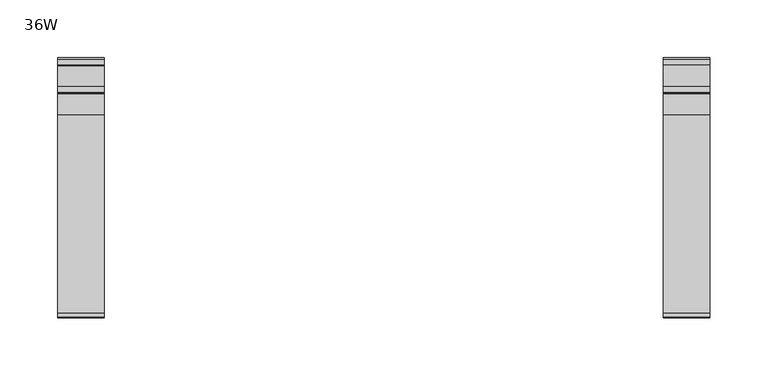
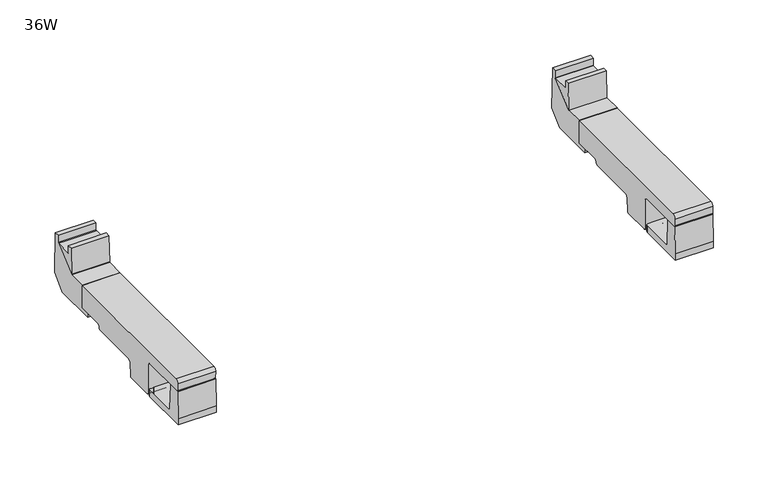
"""IFC4 building model written with IfcOpenShell, lengths in millimetres: furniture geometry, 36W."""

from ifc_helpers import new_model, si_unit, frame, origin, place, context, project, spatial, polyline, circle_curve, ellipse_curve, outline, extrude, faceted_brep, source, transform, mapped, element, save
from ifc_brep_helpers import plane_surface, cylinder_surface, revolved_surface, advanced_brep


def furniture_36w_b5ae9e75(model_context):
    return source(origin(), model_context, "Body", "SolidModel", [
        advanced_brep(
        [(737.7843383, -34.3762385, 694.748492), (737.7843383, -205.6270499, 694.748492), (737.7843383, -209.1428417, 691.2327031), (737.7843383, -208.8189173, 683.339309), (737.7843383, -208.1362423, 682.8612948), (737.7843383, -157.5847288, 682.8612948), (737.7843383, -155.1147078, 680.3912738), (737.7843383, -155.1147078, 648.1993661), (737.7843383, -153.1244417, 646.2091), (737.7843383, -124.7937764, 646.2091), (737.7843383, -123.0534282, 647.9494482), (737.7843383, -122.5427758, 662.5726192), (737.7843383, -120.0715116, 665.0438834), (737.7843383, -67.0503173, 665.0438834), (737.7843383, -65.9566254, 665.4969107), (737.7843383, -65.3708418, 666.9110686), (737.7843383, -65.3708418, 667.9110802), (737.7843383, -64.7850536, 669.3253107), (737.7843383, -63.2994578, 669.9406718), (737.7843383, -34.3762385, 669.9406718), (697.7843271, -34.3762385, 694.748492), (697.7843271, -34.3762385, 669.9406718), (697.7843271, -63.2994578, 669.9406718), (697.7843271, -64.7850536, 669.3253107), (697.7843271, -65.3708418, 667.9110802), (697.7843271, -65.3708418, 666.9110686), (697.7843271, -65.9566254, 665.4969107), (697.7843271, -67.0503173, 665.0438834), (697.7843271, -120.0715116, 665.0438834), (697.7843271, -122.5427758, 662.5726192), (697.7843271, -123.0534282, 647.9494482), (697.7843271, -124.7937764, 646.2091), (697.7843271, -153.1244417, 646.2091), (697.7843271, -155.1147078, 648.1993661), (697.7843271, -155.1147078, 680.3912738), (697.7843271, -157.5847288, 682.8612948), (697.7843271, -208.1362423, 682.8612948), (697.7843271, -208.8189173, 683.339309), (697.7843271, -209.1428417, 691.2327031), (697.7843271, -205.6270499, 694.748492), (702.7797896, -124.7937764, 646.2091), (702.7797896, -140.0738437, 646.2091), (732.8515099, -140.0738437, 646.2091), (732.8515099, -124.7937764, 646.2091), (732.7752781, -123.0534282, 647.9494482), (702.8560215, -123.0534282, 647.9494482), (732.3094335, -122.682043, 658.5845286), (721.4513665, -122.6654343, 659.0601406), (714.1799316, -122.6654343, 659.0601406), (703.321866, -122.682043, 658.5845286), (731.8099401, -63.2994578, 669.9406718), (731.8099401, -34.3762385, 669.9406718), (703.7059231, -34.3762385, 669.9406718), (703.7059231, -63.2994578, 669.9406718), (703.6909291, -64.4119278, 669.4798663), (731.8277347, -64.3762385, 669.4946495), (731.5138826, -34.3762385, 679.0393242), (729.0796033, -34.3762385, 681.4736035), (706.4362611, -34.3762385, 681.4736035), (704.0019819, -34.3762385, 679.0393242), (729.0796033, -64.3762385, 681.4736035), (731.5138826, -64.3762385, 679.0393242), (704.0019819, -64.3762385, 679.0393242), (706.4362611, -64.3762385, 681.4736035), (714.1799316, -140.0738437, 659.0601406), (721.4513665, -140.0738437, 659.0601406), (732.3094335, -140.0738437, 658.5845286), (703.321866, -140.0738437, 658.5845286)],
        [
            (0, 1),
            (1, 2, circle_curve(frame((737.7843383, -205.6270499, 691.2327002), z_axis=(1.0, 0.0, 0.0), x_axis=(0.0, 1.0, 0.0)), 3.5157917)),
            (2, 3),
            (3, 4, circle_curve(frame((737.7843383, -208.2951756, 683.360802), z_axis=(1.0, 0.0, 0.0), x_axis=(0.0, 1.0, 0.0)), 0.5241824)),
            (4, 5),
            (5, 6),
            (6, 7),
            (7, 8, circle_curve(frame((737.7843383, -153.1244417, 648.1993661), z_axis=(1.0, 0.0, 0.0), x_axis=(0.0, 1.0, 0.0)), 1.9902661)),
            (8, 9),
            (9, 10, circle_curve(frame((737.7843383, -124.7937764, 647.9494482), z_axis=(1.0, 0.0, 0.0), x_axis=(0.0, 1.0, 0.0)), 1.7403482)),
            (10, 11),
            (11, 12),
            (12, 13),
            (13, 14),
            (14, 15),
            (15, 16),
            (16, 17),
            (17, 18),
            (18, 19),
            (19, 0),
            (20, 21),
            (21, 22),
            (22, 23),
            (23, 24),
            (24, 25),
            (25, 26),
            (26, 27),
            (27, 28),
            (28, 29),
            (29, 30),
            (30, 31, circle_curve(frame((697.7843271, -124.7937764, 647.9494482), z_axis=(-1.0, 0.0, 0.0), x_axis=(0.0, 1.0, 0.0)), 1.7403482)),
            (31, 32),
            (32, 33, circle_curve(frame((697.7843271, -153.1244417, 648.1993661), z_axis=(-1.0, 0.0, 0.0), x_axis=(0.0, 1.0, 0.0)), 1.9902661)),
            (33, 34),
            (34, 35),
            (35, 36),
            (36, 37, circle_curve(frame((697.7843271, -208.2951756, 683.360802), z_axis=(-1.0, 0.0, 0.0), x_axis=(0.0, 1.0, 0.0)), 0.5241824)),
            (37, 38),
            (38, 39, circle_curve(frame((697.7843271, -205.6270499, 691.2327002), z_axis=(-1.0, 0.0, 0.0), x_axis=(0.0, 1.0, 0.0)), 3.5157917)),
            (39, 20),
            (0, 20),
            (39, 1),
            (38, 2),
            (37, 3),
            (4, 36),
            (35, 5),
            (34, 6),
            (33, 7),
            (32, 8),
            (31, 40),
            (40, 41),
            (41, 42),
            (42, 43),
            (43, 9),
            (43, 44, ellipse_curve(frame((732.7752781, -124.7937764, 647.9494482), z_axis=(0.9990420426528552, 0.0, 0.043760678833979806), x_axis=(0.043760678833976496, 0.0, -0.9990420426528553)), 1.742017, 1.7403482)),
            (44, 10),
            (30, 45),
            (45, 40, ellipse_curve(frame((702.8560215, -124.7937764, 647.9494482), z_axis=(-0.9990420429311413, 0.0, 0.04376067248079827), x_axis=(0.043760672480796126, 0.0, 0.9990420429311414)), 1.742017, 1.7403482)),
            (44, 46),
            (46, 47),
            (47, 48),
            (48, 49),
            (49, 45),
            (29, 11),
            (28, 12),
            (27, 13),
            (18, 50),
            (50, 51),
            (51, 19),
            (21, 52),
            (52, 53),
            (53, 22),
            (26, 14),
            (25, 15),
            (24, 16),
            (23, 17),
            (53, 54),
            (54, 55),
            (55, 50),
            (51, 56),
            (56, 57, circle_curve(frame((729.0796033, -34.3762385, 679.0393242), z_axis=(0.0, -1.0, 0.0), x_axis=(1.0, 0.0, 0.0)), 2.4342793)),
            (57, 58),
            (58, 59, circle_curve(frame((706.4362611, -34.3762385, 679.0393242), z_axis=(0.0, -1.0, 0.0), x_axis=(1.0, 0.0, 0.0)), 2.4342793)),
            (59, 52),
            (60, 61, circle_curve(frame((729.0796033, -64.3762385, 679.0393242), z_axis=(0.0, 1.0, 0.0), x_axis=(1.0, 0.0, 0.0)), 2.4342793)),
            (61, 55),
            (54, 62),
            (62, 63, circle_curve(frame((706.4362611, -64.3762385, 679.0393242), z_axis=(0.0, 1.0, 0.0), x_axis=(1.0, 0.0, 0.0)), 2.4342793)),
            (63, 60),
            (63, 58),
            (57, 60),
            (62, 59),
            (61, 56),
            (64, 65),
            (65, 66),
            (66, 42),
            (41, 67),
            (67, 64),
            (67, 49),
            (48, 64),
            (66, 46),
            (65, 47),
        ],
        [
            plane_surface(frame((737.7843383, -205.6270499, 694.748492), z_axis=(1.0, 0.0, 0.0), x_axis=(0.0, -1.0, 0.0))),
            plane_surface(frame((697.7843271, -205.6270499, 694.748492), z_axis=(-1.0, 0.0, 0.0), x_axis=(0.0, 1.0, 0.0))),
            plane_surface(frame((737.7843383, -34.3762385, 694.748492), z_axis=(0.0, 0.0, 1.0), x_axis=(-1.0, 0.0, 0.0))),
            cylinder_surface(frame((697.7843271, -205.6270499, 691.2327002), z_axis=(1.0, 0.0, 0.0), x_axis=(0.0, 1.0, 0.0)), 3.5157917),
            plane_surface(frame((737.7843383, -209.1428417, 691.2327031), z_axis=(0.0, -0.9991590276048403, -0.04100289691899755), x_axis=(-1.0, 0.0, 0.0))),
            plane_surface(frame((737.7843383, -208.1362423, 682.8612948), z_axis=(0.0, 0.0, -1.0), x_axis=(-1.0, 0.0, 0.0))),
            plane_surface(frame((737.7843383, -157.5847288, 682.8612948), z_axis=(0.0, -0.7071067811865669, -0.7071067811865281), x_axis=(-1.0, 0.0, 0.0))),
            plane_surface(frame((737.7843383, -155.1147078, 680.3912738), z_axis=(0.0, -1.0, 0.0), x_axis=(-1.0, 0.0, 0.0))),
            cylinder_surface(frame((697.7843271, -153.1244417, 648.1993661), z_axis=(1.0, 0.0, 0.0), x_axis=(0.0, 1.0, 0.0)), 1.9902661),
            plane_surface(frame((737.7843383, -153.1244417, 646.2091), z_axis=(0.0, 0.0, -1.0), x_axis=(-1.0, 0.0, 0.0))),
            cylinder_surface(frame((697.7843271, -124.7937764, 647.9494482), z_axis=(1.0, 0.0, 0.0), x_axis=(0.0, 1.0, 0.0)), 1.7403482),
            plane_surface(frame((737.7843383, -123.0534282, 647.9494482), z_axis=(0.0, 0.9993908270182066, -0.03489949672796346), x_axis=(-1.0, 0.0, 0.0))),
            plane_surface(frame((737.7843383, -122.5427758, 662.5726192), z_axis=(0.0, 0.7071067811865888, -0.7071067811865064), x_axis=(-1.0, 0.0, 0.0))),
            plane_surface(frame((737.7843383, -120.0715116, 665.0438834), z_axis=(0.0, 0.0, -1.0), x_axis=(-1.0, 0.0, 0.0))),
            plane_surface(frame((737.7843383, -63.2994578, 669.9406718), z_axis=(0.0, 0.0, -1.0), x_axis=(-1.0, 0.0, 0.0))),
            cylinder_surface(frame((697.7843271, -208.2951756, 683.360802), z_axis=(1.0, 0.0, 0.0), x_axis=(0.0, 1.0, 0.0)), 0.5241824),
            plane_surface(frame((737.7843383, -67.0503173, 665.0438834), z_axis=(0.0, 0.3826872177215554, -0.9238779645562151), x_axis=(-1.0, 0.0, 0.0))),
            plane_surface(frame((737.7843383, -65.9566254, 665.4969107), z_axis=(0.0, 0.9238748481049176, -0.3826947413267075), x_axis=(-1.0, 0.0, 0.0))),
            plane_surface(frame((737.7843383, -65.3708418, 666.9110686), z_axis=(0.0, 1.0, 0.0), x_axis=(-1.0, 0.0, 0.0))),
            plane_surface(frame((737.7843383, -65.3708418, 667.9110802), z_axis=(0.0, 0.9238807518005431, -0.38268048872716703), x_axis=(-1.0, 0.0, 0.0))),
            plane_surface(frame((737.7843383, -64.7850536, 669.3253107), z_axis=(0.0, 0.382687217616281, -0.9238779645998216), x_axis=(-1.0, 0.0, 0.0))),
            plane_surface(frame((737.7843383, -34.3762385, 669.9406718), z_axis=(0.0, 1.0, 0.0), x_axis=(-1.0, 0.0, 0.0))),
            plane_surface(frame((706.4362611, -64.3762385, 681.4736035), z_axis=(0.0, 1.0, 0.0), x_axis=(-1.0, 0.0, 0.0))),
            plane_surface(frame((729.0796033, -64.3762385, 681.4736035), z_axis=(0.0, 0.0, -1.0), x_axis=(0.0, 1.0, 0.0))),
            revolved_surface(polyline([(708.8705404, -64.3762385, 679.0393242), (708.8705404, -34.3762385, 679.0393242)]), (706.4362611, -34.3762385, 679.0393242), (0.0, -1.0, 0.0)),
            plane_surface(frame((704.0019819, -64.3762385, 679.0393242), z_axis=(0.9994710350913933, 0.0, -0.03252153153433829), x_axis=(0.0, 1.0, 0.0))),
            plane_surface(frame((731.8277347, -64.3762385, 669.3937968), z_axis=(-0.9994710393903322, 0.0, -0.0325213994165262), x_axis=(0.0, 1.0, 0.0))),
            revolved_surface(polyline([(731.5138826, -64.3762385, 679.0393242), (731.5138826, -34.3762385, 679.0393242)]), (729.0796033, -34.3762385, 679.0393242), (0.0, -1.0, 0.0)),
            plane_surface(frame((178.8821527, -140.0738437, 658.5845286), z_axis=(0.0, 1.0000000000000002, 0.0), x_axis=(-0.9990420426677844, 0.0, -0.04376067849315215))),
            plane_surface(frame((714.1799316, -140.0738437, 659.0601406), z_axis=(0.04376067847361147, 0.0, -0.9990420426686404), x_axis=(0.0, 1.0, 0.0))),
            plane_surface(frame((703.321866, -140.0738437, 658.5845286), z_axis=(0.9990420429311413, 0.0, -0.04376067248079827), x_axis=(0.0, 1.0, 0.0))),
            plane_surface(frame((732.9317659, -140.0738437, 644.376883), z_axis=(-0.9990420426528552, 0.0, -0.043760678833979806), x_axis=(0.0, 1.0, 0.0))),
            plane_surface(frame((732.3094335, -140.0738437, 658.5845286), z_axis=(-0.04376067284080708, 0.0, -0.999042042915372), x_axis=(0.0, 1.0, 0.0))),
            plane_surface(frame((721.4513665, -140.0738437, 659.0601406), z_axis=(0.0, 0.0, -1.0), x_axis=(0.0, 1.0, 0.0))),
        ],
        [
            (0, [[1, 2, 3, 4, 5, 6, 7, 8, 9, 10, 11, 12, 13, 14, 15, 16, 17, 18, 19, 20]]),
            (1, [[21, 22, 23, 24, 25, 26, 27, 28, 29, 30, 31, 32, 33, 34, 35, 36, 37, 38, 39, 40]]),
            (2, [[-1, 41, -40, 42]]),
            (3, [[-2, -42, -39, 43]]),
            (4, [[-3, -43, -38, 44]]),
            (5, [[-5, 45, -36, 46]]),
            (6, [[-6, -46, -35, 47]]),
            (7, [[-7, -47, -34, 48]]),
            (8, [[-8, -48, -33, 49]]),
            (9, [[-9, -49, -32, 50, 51, 52, 53, 54]]),
            (10, [[-10, -54, 55, 56]]),
            (10, [[-31, 57, 58, -50]]),
            (11, [[-11, -56, 59, 60, 61, 62, 63, -57, -30, 64]]),
            (12, [[-12, -64, -29, 65]]),
            (13, [[-13, -65, -28, 66]]),
            (14, [[-19, 67, 68, 69]]),
            (14, [[-22, 70, 71, 72]]),
            (15, [[-4, -44, -37, -45]]),
            (16, [[-14, -66, -27, 73]]),
            (17, [[-15, -73, -26, 74]]),
            (18, [[-16, -74, -25, 75]]),
            (19, [[-17, -75, -24, 76]]),
            (20, [[-18, -76, -23, -72, 77, 78, 79, -67]]),
            (21, [[-20, -69, 80, 81, 82, 83, 84, -70, -21, -41]]),
            (22, [[85, 86, -78, 87, 88, 89]]),
            (23, [[-89, 90, -82, 91]]),
            (24, [[-88, 92, -83, -90]]),
            (25, [[-87, -77, -71, -84, -92]]),
            (26, [[-86, 93, -80, -68, -79]]),
            (27, [[-85, -91, -81, -93]]),
            (28, [[94, 95, 96, -52, 97, 98]]),
            (29, [[-98, 99, -62, 100]]),
            (30, [[-97, -51, -58, -63, -99]]),
            (31, [[-96, 101, -59, -55, -53]]),
            (32, [[-95, 102, -60, -101]]),
            (33, [[-94, -100, -61, -102]]),
        ],
    ),
        advanced_brep(
        [(204.718015, -64.3762385, 682.0986035), (207.1522943, -64.3762385, 679.6643242), (207.4661464, -64.3762385, 670.0187968), (179.3265402, -64.3762385, 670.0187968), (179.6403935, -64.3762385, 679.6643242), (182.0746728, -64.3762385, 682.0986035), (182.0746728, -34.3762385, 682.0986035), (204.718015, -34.3762385, 682.0986035), (179.6403935, -34.3762385, 679.6643242), (179.3265402, -63.1108495, 670.0187968), (179.3265402, -34.3762385, 670.0187968), (207.4661464, -63.1108495, 670.0187968), (207.1522943, -34.3762385, 679.6643242), (207.4661464, -34.3762385, 670.0187968), (213.3963495, -34.3762385, 694.748492), (213.3963495, -205.6270499, 694.748492), (213.3963495, -209.1428417, 691.2327031), (213.3963495, -208.8189173, 683.339309), (213.3963495, -208.1362423, 682.8612948), (213.3963495, -157.5847288, 682.8612948), (213.3963495, -155.1147078, 680.3912738), (213.3963495, -155.1147078, 648.1993661), (213.3963495, -153.1244417, 646.2091), (213.3963495, -124.7937764, 646.2091), (213.3963495, -123.0534282, 647.9494482), (213.3963495, -122.5427758, 662.5726192), (213.3963495, -120.0715116, 665.0438834), (213.3963495, -67.0503173, 665.0438834), (213.3963495, -65.9566254, 665.4969107), (213.3963495, -65.3708418, 666.9110686), (213.3963495, -65.3708418, 667.9110802), (213.3963495, -64.7850536, 669.3253107), (213.3963495, -63.1108495, 670.0187968), (213.3963495, -34.3762385, 670.0187968), (173.3963383, -34.3762385, 694.748492), (173.3963383, -34.3762385, 670.0187968), (173.3963383, -63.1108495, 670.0187968), (173.3963383, -64.7850536, 669.3253107), (173.3963383, -65.3708418, 667.9110802), (173.3963383, -65.3708418, 666.9110686), (173.3963383, -65.9566254, 665.4969107), (173.3963383, -67.0503173, 665.0438834), (173.3963383, -120.0715116, 665.0438834), (173.3963383, -122.5427758, 662.5726192), (173.3963383, -123.0534282, 647.9494482), (173.3963383, -124.7937764, 646.2091), (173.3963383, -153.1244417, 646.2091), (173.3963383, -155.1147078, 648.1993661), (173.3963383, -155.1147078, 680.3912738), (173.3963383, -157.5847288, 682.8612948), (173.3963383, -208.1362423, 682.8612948), (173.3963383, -208.8189173, 683.339309), (173.3963383, -209.1428417, 691.2327031), (173.3963383, -205.6270499, 694.748492), (178.3400763, -124.7937764, 646.2091), (178.3400763, -140.0738437, 646.2091), (208.4117966, -140.0738437, 646.2091), (208.4117966, -124.7937764, 646.2091), (208.3355648, -123.0534282, 647.9494482), (178.4163082, -123.0534282, 647.9494482), (207.8697202, -122.682043, 658.5845286), (197.0116532, -122.6654343, 659.0601406), (189.7402183, -122.6654343, 659.0601406), (178.8821527, -122.682043, 658.5845286), (189.7402183, -140.0738437, 659.0601406), (197.0116532, -140.0738437, 659.0601406), (207.8697202, -140.0738437, 658.5845286), (178.8821527, -140.0738437, 658.5845286)],
        [
            (0, 1, circle_curve(frame((204.718015, -64.3762385, 679.6643242), z_axis=(0.0, 1.0, 0.0), x_axis=(1.0, 0.0, 0.0)), 2.4342793)),
            (1, 2),
            (2, 3),
            (3, 4),
            (4, 5, circle_curve(frame((182.0746728, -64.3762385, 679.6643242), z_axis=(0.0, 1.0, 0.0), x_axis=(1.0, 0.0, 0.0)), 2.4342793)),
            (5, 0),
            (5, 6),
            (6, 7),
            (7, 0),
            (4, 8),
            (8, 6, circle_curve(frame((182.0746728, -34.3762385, 679.6643242), z_axis=(0.0, 1.0, 0.0), x_axis=(1.0, 0.0, 0.0)), 2.4342793)),
            (3, 9),
            (9, 10),
            (10, 8),
            (2, 11),
            (11, 9),
            (1, 12),
            (12, 13),
            (13, 11),
            (7, 12, circle_curve(frame((204.718015, -34.3762385, 679.6643242), z_axis=(0.0, 1.0, 0.0), x_axis=(1.0, 0.0, 0.0)), 2.4342793)),
            (14, 15),
            (15, 16, circle_curve(frame((213.3963495, -205.6270499, 691.2327002), z_axis=(1.0, 0.0, 0.0), x_axis=(0.0, 1.0, 0.0)), 3.5157917)),
            (16, 17),
            (17, 18, circle_curve(frame((213.3963495, -208.2951756, 683.360802), z_axis=(1.0, 0.0, 0.0), x_axis=(0.0, 1.0, 0.0)), 0.5241824)),
            (18, 19),
            (19, 20),
            (20, 21),
            (21, 22, circle_curve(frame((213.3963495, -153.1244417, 648.1993661), z_axis=(1.0, 0.0, 0.0), x_axis=(0.0, 1.0, 0.0)), 1.9902661)),
            (22, 23),
            (23, 24, circle_curve(frame((213.3963495, -124.7937764, 647.9494482), z_axis=(1.0, 0.0, 0.0), x_axis=(0.0, 1.0, 0.0)), 1.7403482)),
            (24, 25),
            (25, 26),
            (26, 27),
            (27, 28),
            (28, 29),
            (29, 30),
            (30, 31),
            (31, 32),
            (32, 33),
            (33, 14),
            (34, 35),
            (35, 36),
            (36, 37),
            (37, 38),
            (38, 39),
            (39, 40),
            (40, 41),
            (41, 42),
            (42, 43),
            (43, 44),
            (44, 45, circle_curve(frame((173.3963383, -124.7937764, 647.9494482), z_axis=(-1.0, 0.0, 0.0), x_axis=(0.0, 1.0, 0.0)), 1.7403482)),
            (45, 46),
            (46, 47, circle_curve(frame((173.3963383, -153.1244417, 648.1993661), z_axis=(-1.0, 0.0, 0.0), x_axis=(0.0, 1.0, 0.0)), 1.9902661)),
            (47, 48),
            (48, 49),
            (49, 50),
            (50, 51, circle_curve(frame((173.3963383, -208.2951756, 683.360802), z_axis=(-1.0, 0.0, 0.0), x_axis=(0.0, 1.0, 0.0)), 0.5241824)),
            (51, 52),
            (52, 53, circle_curve(frame((173.3963383, -205.6270499, 691.2327002), z_axis=(-1.0, 0.0, 0.0), x_axis=(0.0, 1.0, 0.0)), 3.5157917)),
            (53, 34),
            (14, 34),
            (53, 15),
            (52, 16),
            (51, 17),
            (18, 50),
            (49, 19),
            (48, 20),
            (47, 21),
            (46, 22),
            (45, 54),
            (54, 55),
            (55, 56),
            (56, 57),
            (57, 23),
            (57, 58, ellipse_curve(frame((208.3355648, -124.7937764, 647.9494482), z_axis=(0.9990420426677843, 0.0, 0.04376067849315382), x_axis=(0.04376067849315236, 0.0, -0.9990420426677845)), 1.742017, 1.7403482)),
            (58, 24),
            (44, 59),
            (59, 54, ellipse_curve(frame((178.4163082, -124.7937764, 647.9494482), z_axis=(-0.9990420429162121, 0.0, 0.043760672821627045), x_axis=(0.043760672821625185, 0.0, 0.999042042916212)), 1.742017, 1.7403482)),
            (58, 60),
            (60, 61),
            (61, 62),
            (62, 63),
            (63, 59),
            (43, 25),
            (42, 26),
            (41, 27),
            (32, 11),
            (13, 33),
            (35, 10),
            (9, 36),
            (40, 28),
            (39, 29),
            (38, 30),
            (37, 31),
            (64, 65),
            (65, 66),
            (66, 56),
            (55, 67),
            (67, 64),
            (67, 63),
            (62, 64),
            (66, 60),
            (65, 61),
        ],
        [
            plane_surface(frame((182.0746728, -64.3762385, 682.0986035), z_axis=(0.0, 1.0, 0.0), x_axis=(-1.0, 0.0, 0.0))),
            plane_surface(frame((204.718015, -64.3762385, 682.0986035), z_axis=(0.0, 0.0, -1.0), x_axis=(0.0, 1.0, 0.0))),
            revolved_surface(polyline([(184.5089521, -64.3762385, 679.6643242), (184.5089521, -34.3762385, 679.6643242)]), (182.0746728, -34.3762385, 679.6643242), (0.0, -1.0, 0.0)),
            plane_surface(frame((179.6403935, -64.3762385, 679.6643242), z_axis=(0.9994710350913933, 0.0, -0.03252153153433829), x_axis=(0.0, 1.0, 0.0))),
            plane_surface(frame((179.3265402, -64.3762385, 670.0187968), z_axis=(0.0, 0.0, 1.0), x_axis=(0.0, 1.0, 0.0))),
            plane_surface(frame((207.4661464, -64.3762385, 670.0187968), z_axis=(-0.999471039390332, 0.0, -0.03252139941653), x_axis=(0.0, 1.0, 0.0))),
            revolved_surface(polyline([(207.1522943, -64.3762385, 679.6643242), (207.1522943, -34.3762385, 679.6643242)]), (204.718015, -34.3762385, 679.6643242), (0.0, -1.0, 0.0)),
            plane_surface(frame((213.3963495, -205.6270499, 694.748492), z_axis=(1.0, 0.0, 0.0), x_axis=(0.0, -1.0, 0.0))),
            plane_surface(frame((173.3963383, -205.6270499, 694.748492), z_axis=(-1.0, 0.0, 0.0), x_axis=(0.0, 1.0, 0.0))),
            plane_surface(frame((213.3963495, -34.3762385, 694.748492), z_axis=(0.0, 0.0, 1.0), x_axis=(-1.0, 0.0, 0.0))),
            cylinder_surface(frame((173.3963383, -205.6270499, 691.2327002), z_axis=(1.0, 0.0, 0.0), x_axis=(0.0, 1.0, 0.0)), 3.5157917),
            plane_surface(frame((213.3963495, -209.1428417, 691.2327031), z_axis=(0.0, -0.9991590276048403, -0.041002896918997445), x_axis=(-1.0, 0.0, 0.0))),
            plane_surface(frame((213.3963495, -208.1362423, 682.8612948), z_axis=(0.0, 0.0, -1.0), x_axis=(-1.0, 0.0, 0.0))),
            plane_surface(frame((213.3963495, -157.5847288, 682.8612948), z_axis=(0.0, -0.7071067811865669, -0.7071067811865281), x_axis=(-1.0, 0.0, 0.0))),
            plane_surface(frame((213.3963495, -155.1147078, 680.3912738), z_axis=(0.0, -1.0, 0.0), x_axis=(-1.0, 0.0, 0.0))),
            cylinder_surface(frame((173.3963383, -153.1244417, 648.1993661), z_axis=(1.0, 0.0, 0.0), x_axis=(0.0, 1.0, 0.0)), 1.9902661),
            plane_surface(frame((213.3963495, -153.1244417, 646.2091), z_axis=(0.0, 0.0, -1.0), x_axis=(-1.0, 0.0, 0.0))),
            cylinder_surface(frame((173.3963383, -124.7937764, 647.9494482), z_axis=(1.0, 0.0, 0.0), x_axis=(0.0, 1.0, 0.0)), 1.7403482),
            plane_surface(frame((213.3963495, -123.0534282, 647.9494482), z_axis=(0.0, 0.9993908270182066, -0.03489949672796346), x_axis=(-1.0, 0.0, 0.0))),
            plane_surface(frame((213.3963495, -122.5427758, 662.5726192), z_axis=(0.0, 0.7071067811865888, -0.7071067811865064), x_axis=(-1.0, 0.0, 0.0))),
            plane_surface(frame((213.3963495, -120.0715116, 665.0438834), z_axis=(0.0, 0.0, -1.0), x_axis=(-1.0, 0.0, 0.0))),
            plane_surface(frame((213.3963495, -63.1108495, 670.0187968), z_axis=(0.0, 0.0, -1.0), x_axis=(-1.0, 0.0, 0.0))),
            cylinder_surface(frame((173.3963383, -208.2951756, 683.360802), z_axis=(1.0, 0.0, 0.0), x_axis=(0.0, 1.0, 0.0)), 0.5241824),
            plane_surface(frame((213.3963495, -67.0503173, 665.0438834), z_axis=(0.0, 0.3826872177215554, -0.9238779645562151), x_axis=(-1.0, 0.0, 0.0))),
            plane_surface(frame((213.3963495, -65.9566254, 665.4969107), z_axis=(0.0, 0.9238748481049176, -0.3826947413267075), x_axis=(-1.0, 0.0, 0.0))),
            plane_surface(frame((213.3963495, -65.3708418, 666.9110686), z_axis=(0.0, 1.0, 0.0), x_axis=(-1.0, 0.0, 0.0))),
            plane_surface(frame((213.3963495, -65.3708418, 667.9110802), z_axis=(0.0, 0.9238807518005431, -0.38268048872716703), x_axis=(-1.0, 0.0, 0.0))),
            plane_surface(frame((213.3963495, -64.7850536, 669.3253107), z_axis=(0.0, 0.38268721761631463, -0.9238779645998076), x_axis=(-1.0, 0.0, 0.0))),
            plane_surface(frame((213.3963495, -34.3762385, 670.0187968), z_axis=(0.0, 1.0, 0.0), x_axis=(-1.0, 0.0, 0.0))),
            plane_surface(frame((178.8821527, -140.0738437, 658.5845286), z_axis=(0.0, 1.0000000000000002, 0.0), x_axis=(-0.9990420426677844, 0.0, -0.04376067849315215))),
            plane_surface(frame((189.7402183, -140.0738437, 659.0601406), z_axis=(0.04376067849315215, 0.0, -0.9990420426677844), x_axis=(0.0, 1.0, 0.0))),
            plane_surface(frame((178.8821527, -140.0738437, 658.5845286), z_axis=(0.9990420429162121, 0.0, -0.043760672821627045), x_axis=(0.0, 1.0, 0.0))),
            plane_surface(frame((208.4920526, -140.0738437, 644.376883), z_axis=(-0.9990420426677843, 0.0, -0.04376067849315382), x_axis=(0.0, 1.0, 0.0))),
            plane_surface(frame((207.8697202, -140.0738437, 658.5845286), z_axis=(-0.043760672821278684, 0.0, -0.9990420429162273), x_axis=(0.0, 1.0, 0.0))),
            plane_surface(frame((197.0116532, -140.0738437, 659.0601406), z_axis=(0.0, 0.0, -1.0), x_axis=(0.0, 1.0, 0.0))),
        ],
        [
            (0, [[1, 2, 3, 4, 5, 6]]),
            (1, [[-6, 7, 8, 9]]),
            (2, [[-5, 10, 11, -7]]),
            (3, [[-4, 12, 13, 14, -10]]),
            (4, [[-3, 15, 16, -12]]),
            (5, [[-2, 17, 18, 19, -15]]),
            (6, [[-1, -9, 20, -17]]),
            (7, [[21, 22, 23, 24, 25, 26, 27, 28, 29, 30, 31, 32, 33, 34, 35, 36, 37, 38, 39, 40]]),
            (8, [[41, 42, 43, 44, 45, 46, 47, 48, 49, 50, 51, 52, 53, 54, 55, 56, 57, 58, 59, 60]]),
            (9, [[-21, 61, -60, 62]]),
            (10, [[-22, -62, -59, 63]]),
            (11, [[-23, -63, -58, 64]]),
            (12, [[-25, 65, -56, 66]]),
            (13, [[-26, -66, -55, 67]]),
            (14, [[-27, -67, -54, 68]]),
            (15, [[-28, -68, -53, 69]]),
            (16, [[-29, -69, -52, 70, 71, 72, 73, 74]]),
            (17, [[-30, -74, 75, 76]]),
            (17, [[-51, 77, 78, -70]]),
            (18, [[-31, -76, 79, 80, 81, 82, 83, -77, -50, 84]]),
            (19, [[-32, -84, -49, 85]]),
            (20, [[-33, -85, -48, 86]]),
            (21, [[-39, 87, -19, 88]]),
            (21, [[-42, 89, -13, 90]]),
            (22, [[-24, -64, -57, -65]]),
            (23, [[-34, -86, -47, 91]]),
            (24, [[-35, -91, -46, 92]]),
            (25, [[-36, -92, -45, 93]]),
            (26, [[-37, -93, -44, 94]]),
            (27, [[-38, -94, -43, -90, -16, -87]]),
            (28, [[-40, -88, -18, -20, -8, -11, -14, -89, -41, -61]]),
            (29, [[95, 96, 97, -72, 98, 99]]),
            (30, [[-99, 100, -82, 101]]),
            (31, [[-98, -71, -78, -83, -100]]),
            (32, [[-97, 102, -79, -75, -73]]),
            (33, [[-96, 103, -80, -102]]),
            (34, [[-95, -101, -81, -103]]),
        ],
    ),
        faceted_brep([(213.3963495, 1.4987638, 665.2243243), (213.3963495, 15.4987633, 679.2242692), (213.3963495, 14.2414636, 724.2242841), (213.3963495, 9.4996035, 724.2242841), (213.3963495, 9.4996035, 716.2017992), (213.3963495, -15.5003961, 695.2243087), (213.3963495, -34.3762385, 695.2243087), (213.3963495, -34.3762385, 670.2243098), (213.3963495, -44.3762385, 670.2243098), (213.3963495, -44.3762385, 665.2243243), (173.3963383, 1.4987638, 665.2243243), (173.3963383, -44.3762385, 665.2243243), (173.3963383, -44.3762385, 670.2243098), (173.3963383, -34.3762385, 670.2243098), (173.3963383, -34.3762385, 695.2243087), (173.3963383, -15.5003961, 695.2243087), (173.3963383, 9.4996035, 716.2017992), (173.3963383, 9.4996035, 724.2242841), (173.3963383, 14.2414636, 724.2242841), (173.3963383, 15.4987633, 679.2242692), (179.3332273, -34.3762385, 670.2243098), (179.3265402, -34.3762385, 670.0187968), (207.4661464, -34.3762385, 670.0187968), (207.4594593, -34.3762385, 670.2243098), (207.4594593, -44.3762385, 670.2243098), (179.3332273, -44.3762385, 670.2243098), (207.4661464, -44.3762385, 670.0187968), (179.3265402, -44.3762385, 670.0187968)], [[[0, 1, 2, 3, 4, 5, 6, 7, 8, 9]], [[10, 11, 12, 13, 14, 15, 16, 17, 18, 19]], [[1, 0, 10, 19]], [[2, 1, 19, 18]], [[3, 2, 18, 17]], [[7, 6, 14, 13, 20, 21, 22, 23]], [[8, 7, 23, 24]], [[13, 12, 25, 20]], [[9, 8, 24, 26, 27, 25, 12, 11]], [[0, 9, 11, 10]], [[4, 3, 17, 16]], [[5, 4, 16, 15]], [[6, 5, 15, 14]], [[21, 20, 25, 27]], [[22, 21, 27, 26]], [[23, 22, 26, 24]]]),
        advanced_brep(
        [(703.9244831, -141.7010771, 652.8966), (703.9244831, -141.7010771, 645.8966), (703.455545, -143.4503243, 645.8966), (703.455545, -143.4503243, 652.8966), (705.2049653, -140.4205949, 652.8966), (705.2049653, -140.4205949, 645.8966), (706.9542125, -139.9516569, 652.8966), (706.4984275, -140.0738437, 645.8966), (698.2232514, -156.9508595, 652.8966), (698.2232514, -156.9508595, 645.8966), (697.7843271, -158.5897425, 645.8966), (697.7843271, -158.5897425, 652.8966), (698.9547476, -156.2193633, 652.8966), (698.9547476, -156.2193633, 645.8966), (699.9543266, -155.9516568, 652.8966), (699.9543266, -155.9516568, 645.8966), (702.9557734, -155.9516568, 652.8966), (702.9557734, -155.9516568, 645.8966), (703.455545, -155.0828126, 652.8966), (703.455545, -155.0828126, 645.8966), (732.2482352, -155.0828126, 652.8966), (732.2482352, -155.0828126, 645.8966), (732.2482352, -143.4503243, 645.8966), (732.2482352, -143.4503243, 652.8966), (732.7480068, -155.9516568, 652.8966), (732.7480068, -155.9516568, 645.8966), (735.7494536, -155.9516568, 652.8966), (735.7494536, -155.9516568, 645.8966), (736.7490326, -156.2193631, 652.8966), (736.7490326, -156.2193631, 645.8966), (737.4805286, -156.9508595, 652.8966), (737.4805286, -156.9508595, 645.8966), (737.7843383, -158.0852431, 652.8966), (737.7843383, -158.0852431, 645.8966), (730.498815, -140.4205949, 652.8966), (730.498815, -140.4205949, 645.8966), (729.2053528, -140.0738437, 645.8966), (728.7495679, -139.9516569, 652.8966), (731.7792972, -141.7010771, 652.8966), (731.7792972, -141.7010771, 645.8966), (737.7843383, -192.6231607, 652.8966), (737.7843383, -195.035912, 655.3093513), (737.7843383, -195.9812599, 682.3805731), (737.7843383, -208.9220534, 682.3805731), (737.7843383, -209.9516568, 652.8966), (737.7843383, -209.8294706, 645.8966), (697.7843271, -209.8294706, 645.8966), (697.7843271, -209.9516568, 652.8966), (697.7843271, -208.9220534, 682.3805731), (697.7843271, -195.9812599, 682.3805731), (697.7843271, -195.035912, 655.3093513), (697.7843271, -192.6231607, 652.8966)],
        [
            (0, 1),
            (1, 2),
            (2, 3),
            (3, 0),
            (0, 4),
            (4, 5),
            (5, 1),
            (4, 6),
            (6, 7),
            (7, 5),
            (8, 9),
            (9, 10),
            (10, 11),
            (11, 8),
            (8, 12),
            (12, 13),
            (13, 9),
            (12, 14),
            (14, 15),
            (15, 13),
            (14, 16),
            (16, 17),
            (17, 15),
            (16, 18, circle_curve(frame((702.450424, -155.0828126, 652.8966), z_axis=(0.0, 0.0, 1.0), x_axis=(1.0, 0.0, 0.0)), 1.005121)),
            (18, 19),
            (19, 17, circle_curve(frame((702.450424, -155.0828126, 645.8966), z_axis=(0.0, 0.0, -1.0), x_axis=(1.0, 0.0, 0.0)), 1.005121)),
            (2, 19),
            (18, 3),
            (20, 21),
            (21, 22),
            (22, 23),
            (23, 20),
            (20, 24, circle_curve(frame((733.2533564, -155.0828126, 652.8966), z_axis=(0.0, 0.0, 1.0), x_axis=(1.0, 0.0, 0.0)), 1.0051211)),
            (24, 25),
            (25, 21, circle_curve(frame((733.2533564, -155.0828126, 645.8966), z_axis=(0.0, 0.0, -1.0), x_axis=(1.0, 0.0, 0.0)), 1.0051211)),
            (24, 26),
            (26, 27),
            (27, 25),
            (26, 28),
            (28, 29),
            (29, 27),
            (28, 30),
            (30, 31),
            (31, 29),
            (30, 32),
            (32, 33),
            (33, 31),
            (34, 35),
            (35, 36),
            (36, 37),
            (37, 34),
            (34, 38),
            (38, 39),
            (39, 35),
            (22, 39),
            (38, 23),
            (40, 41, circle_curve(frame((737.7843383, -192.6231607, 655.3093513), z_axis=(-1.0, 0.0, 0.0), x_axis=(0.0, 1.0, 0.0)), 2.4127513)),
            (41, 42),
            (42, 43),
            (43, 44),
            (44, 45),
            (45, 33),
            (32, 40),
            (46, 47),
            (47, 48),
            (48, 49),
            (49, 50),
            (50, 51, circle_curve(frame((697.7843271, -192.6231607, 655.3093513), z_axis=(1.0, 0.0, 0.0), x_axis=(0.0, 1.0, 0.0)), 2.4127513)),
            (51, 11),
            (10, 46),
            (36, 7),
            (6, 37),
            (51, 40),
            (50, 41),
            (49, 42),
            (48, 43),
            (47, 44),
            (46, 45),
        ],
        [
            plane_surface(frame((703.455545, -143.4503243, 652.8966), z_axis=(-0.9658942540049986, 0.25893684573680786, 0.0), x_axis=(0.0, 0.0, -1.0))),
            plane_surface(frame((703.9244831, -141.7010771, 652.8966), z_axis=(-0.7071067760398695, 0.7071067863332255, 0.0), x_axis=(0.0, 0.0, -1.0))),
            plane_surface(frame((705.2049653, -140.4205949, 652.8966), z_axis=(-0.2589368493370097, 0.9658942530398568, 0.0), x_axis=(0.0, 0.0, -1.0))),
            plane_surface(frame((696.236795, -164.3680151, 652.8966), z_axis=(-0.9659572192072966, 0.2587018567024729, 0.0), x_axis=(0.0, 0.0, -1.0))),
            plane_surface(frame((698.2232514, -156.9508595, 652.8966), z_axis=(-0.7071067811866456, 0.7071067811864494, 0.0), x_axis=(0.0, 0.0, -1.0))),
            plane_surface(frame((698.9547476, -156.2193633, 652.8966), z_axis=(-0.2587018567027409, 0.9659572192072249, 0.0), x_axis=(0.0, 0.0, -1.0))),
            plane_surface(frame((699.9543266, -155.9516568, 652.8966), z_axis=(0.0, 1.0, 0.0), x_axis=(0.0, 0.0, -1.0))),
            revolved_surface(polyline([(703.455545, -155.0828126, 652.8966), (703.455545, -155.0828126, 645.8966)]), (702.450424, -155.0828126, 667.9051241), (0.0, 0.0, 1.0)),
            plane_surface(frame((703.455545, -155.0828126, 652.8966), z_axis=(-1.0, 0.0, 0.0), x_axis=(0.0, 0.0, -1.0))),
            plane_surface(frame((732.2482352, -143.4503243, 652.8966), z_axis=(1.0, 0.0, 0.0), x_axis=(0.0, 0.0, -1.0))),
            revolved_surface(polyline([(734.2584775, -155.0828126, 652.8966), (734.2584775, -155.0828126, 645.8966)]), (733.2533564, -155.0828126, 667.9051241), (0.0, 0.0, 1.0)),
            plane_surface(frame((732.7480068, -155.9516568, 652.8966), z_axis=(0.0, 1.0, 0.0), x_axis=(0.0, 0.0, -1.0))),
            plane_surface(frame((735.7494536, -155.9516568, 652.8966), z_axis=(0.2587016970820589, 0.9659572619566886, 0.0), x_axis=(0.0, 0.0, -1.0))),
            plane_surface(frame((736.7490326, -156.2193631, 652.8966), z_axis=(0.7071069992546413, 0.7071065631183865, 0.0), x_axis=(0.0, 0.0, -1.0))),
            plane_surface(frame((737.4805286, -156.9508595, 652.8966), z_axis=(0.9659572113389603, 0.2587018860817588, 0.0), x_axis=(0.0, 0.0, -1.0))),
            plane_surface(frame((721.1725361, -137.9204069, 652.8966), z_axis=(0.25893684573687087, 0.9658942540049817, 0.0), x_axis=(0.0, 0.0, -1.0))),
            plane_surface(frame((730.498815, -140.4205949, 652.8966), z_axis=(0.7071067811865429, 0.7071067811865522, 0.0), x_axis=(0.0, 0.0, -1.0))),
            plane_surface(frame((731.7792972, -141.7010771, 652.8966), z_axis=(0.9658942540049986, 0.25893684573680786, 0.0), x_axis=(0.0, 0.0, -1.0))),
            plane_surface(frame((737.7843383, -140.0738437, 645.8966), z_axis=(1.0, 0.0, 0.0), x_axis=(0.0, 0.017452598318764508, 0.9998476918070691))),
            plane_surface(frame((697.7843271, -140.0738437, 645.8966), z_axis=(-1.0, 0.0, 0.0), x_axis=(0.0, -0.017452598318764508, -0.9998476918070691))),
            plane_surface(frame((737.7843383, -140.0738437, 645.8966), z_axis=(0.0, 0.9998476918070691, -0.017452598318764508), x_axis=(-1.0, 0.0, 0.0))),
            plane_surface(frame((737.7843383, -139.9516569, 652.8966), z_axis=(0.0, 0.0, 1.0), x_axis=(-1.0, 0.0, 0.0))),
            revolved_surface(polyline([(697.7843271, -190.2104094, 655.3093513), (737.7843383, -190.2104094, 655.3093513)]), (697.7843271, -192.6231607, 655.3093513), (-1.0, 0.0, 0.0)),
            plane_surface(frame((737.7843383, -195.035912, 655.3093513), z_axis=(0.0, 0.9993908270202339, 0.03489949666991039), x_axis=(-1.0, 0.0, 0.0))),
            plane_surface(frame((737.7843383, -195.9812599, 682.3805731), z_axis=(0.0, 0.0, 1.0), x_axis=(-1.0, 0.0, 0.0))),
            plane_surface(frame((737.7843383, -208.9220534, 682.3805731), z_axis=(0.0, -0.9993908266368363, 0.0348995076489783), x_axis=(-1.0, 0.0, 0.0))),
            plane_surface(frame((737.7843383, -209.9516568, 652.8966), z_axis=(0.0, -0.9998476933637703, -0.01745250913616792), x_axis=(-1.0, 0.0, 0.0))),
            plane_surface(frame((737.7843383, -209.8294706, 645.8966), z_axis=(0.0, 0.0, -1.0), x_axis=(-1.0, 0.0, 0.0))),
        ],
        [
            (0, [[1, 2, 3, 4]]),
            (1, [[-1, 5, 6, 7]]),
            (2, [[-6, 8, 9, 10]]),
            (3, [[11, 12, 13, 14]]),
            (4, [[-11, 15, 16, 17]]),
            (5, [[-16, 18, 19, 20]]),
            (6, [[-19, 21, 22, 23]]),
            (7, [[-22, 24, 25, 26]]),
            (8, [[-3, 27, -25, 28]]),
            (9, [[29, 30, 31, 32]]),
            (10, [[-29, 33, 34, 35]]),
            (11, [[-34, 36, 37, 38]]),
            (12, [[-37, 39, 40, 41]]),
            (13, [[-40, 42, 43, 44]]),
            (14, [[-43, 45, 46, 47]]),
            (15, [[48, 49, 50, 51]]),
            (16, [[-48, 52, 53, 54]]),
            (17, [[-31, 55, -53, 56]]),
            (18, [[57, 58, 59, 60, 61, 62, -46, 63]]),
            (19, [[64, 65, 66, 67, 68, 69, -13, 70]]),
            (20, [[71, -9, 72, -50]]),
            (21, [[73, -63, -45, -42, -39, -36, -33, -32, -56, -52, -51, -72, -8, -5, -4, -28, -24, -21, -18, -15, -14, -69]]),
            (22, [[-57, -73, -68, 74]]),
            (23, [[-58, -74, -67, 75]]),
            (24, [[-59, -75, -66, 76]]),
            (25, [[-60, -76, -65, 77]]),
            (26, [[-61, -77, -64, 78]]),
            (27, [[-78, -70, -12, -17, -20, -23, -26, -27, -2, -7, -10, -71, -49, -54, -55, -30, -35, -38, -41, -44, -47, -62]]),
        ],
    ),
        advanced_brep(
        [(213.3963495, -192.6231607, 652.8966), (213.3963495, -195.035912, 655.3093513), (213.3963495, -195.9812599, 682.3805731), (213.3963495, -208.9220534, 682.3805731), (213.3963495, -209.9516568, 652.8966), (213.3963495, -209.8294706, 645.8966), (213.3963495, -158.5708545, 645.8966), (213.3963495, -158.5708545, 652.8966), (173.3963383, -209.8294706, 645.8966), (173.3963383, -209.9516568, 652.8966), (173.3963383, -208.9220534, 682.3805731), (173.3963383, -195.9812599, 682.3805731), (173.3963383, -195.035912, 655.3093513), (173.3963383, -192.6231607, 652.8966), (173.3963383, -158.1041306, 652.8966), (173.3963383, -158.1041306, 645.8966), (204.6873079, -140.0738437, 645.8966), (181.9803825, -140.0738437, 645.8966), (182.4361675, -139.9516569, 652.8966), (204.2315229, -139.9516569, 652.8966), (212.9624838, -156.9508595, 652.8966), (212.2309876, -156.2193633, 652.8966), (211.2314086, -155.9516568, 652.8966), (208.2299618, -155.9516568, 652.8966), (207.7301902, -155.0828126, 652.8966), (207.7301902, -143.4503243, 652.8966), (207.2612522, -141.7010771, 652.8966), (205.98077, -140.4205949, 652.8966), (180.6869203, -140.4205949, 652.8966), (179.4064381, -141.7010771, 652.8966), (178.9375, -143.4503243, 652.8966), (178.9375, -155.0828126, 652.8966), (178.4377284, -155.9516568, 652.8966), (175.4362817, -155.9516568, 652.8966), (174.4367026, -156.2193633, 652.8966), (173.7052064, -156.9508595, 652.8966), (173.7052064, -156.9508595, 645.8966), (174.4367026, -156.2193633, 645.8966), (175.4362817, -155.9516568, 645.8966), (178.4377284, -155.9516568, 645.8966), (178.9375, -155.0828126, 645.8966), (178.9375, -143.4503243, 645.8966), (179.4064381, -141.7010771, 645.8966), (180.6869203, -140.4205949, 645.8966), (205.98077, -140.4205949, 645.8966), (207.2612522, -141.7010771, 645.8966), (207.7301902, -143.4503243, 645.8966), (207.7301902, -155.0828126, 645.8966), (208.2299618, -155.9516568, 645.8966), (211.2314086, -155.9516568, 645.8966), (212.2309876, -156.2193633, 645.8966), (212.9624838, -156.9508595, 645.8966)],
        [
            (0, 1, circle_curve(frame((213.3963495, -192.6231607, 655.3093513), z_axis=(-1.0, 0.0, 0.0), x_axis=(0.0, 1.0, 0.0)), 2.4127513)),
            (1, 2),
            (2, 3),
            (3, 4),
            (4, 5),
            (5, 6),
            (6, 7),
            (7, 0),
            (8, 9),
            (9, 10),
            (10, 11),
            (11, 12),
            (12, 13, circle_curve(frame((173.3963383, -192.6231607, 655.3093513), z_axis=(1.0, 0.0, 0.0), x_axis=(0.0, 1.0, 0.0)), 2.4127513)),
            (13, 14),
            (14, 15),
            (15, 8),
            (16, 17),
            (17, 18),
            (18, 19),
            (19, 16),
            (13, 0),
            (7, 20),
            (20, 21),
            (21, 22),
            (22, 23),
            (23, 24, circle_curve(frame((208.7353114, -155.0828126, 652.8966), z_axis=(0.0, 0.0, -1.0), x_axis=(1.0, 0.0, 0.0)), 1.0051211)),
            (24, 25),
            (25, 26),
            (26, 27),
            (27, 19),
            (18, 28),
            (28, 29),
            (29, 30),
            (30, 31),
            (31, 32, circle_curve(frame((177.932379, -155.0828126, 652.8966), z_axis=(0.0, 0.0, -1.0), x_axis=(1.0, 0.0, 0.0)), 1.005121)),
            (32, 33),
            (33, 34),
            (34, 35),
            (35, 14),
            (12, 1),
            (11, 2),
            (10, 3),
            (9, 4),
            (8, 5),
            (15, 36),
            (36, 37),
            (37, 38),
            (38, 39),
            (39, 40, circle_curve(frame((177.932379, -155.0828126, 645.8966), z_axis=(0.0, 0.0, 1.0), x_axis=(1.0, 0.0, 0.0)), 1.005121)),
            (40, 41),
            (41, 42),
            (42, 43),
            (43, 17),
            (16, 44),
            (44, 45),
            (45, 46),
            (46, 47),
            (47, 48, circle_curve(frame((208.7353114, -155.0828126, 645.8966), z_axis=(0.0, 0.0, 1.0), x_axis=(1.0, 0.0, 0.0)), 1.0051211)),
            (48, 49),
            (49, 50),
            (50, 51),
            (51, 6),
            (29, 42),
            (41, 30),
            (28, 43),
            (35, 36),
            (34, 37),
            (33, 38),
            (32, 39),
            (31, 40),
            (24, 47),
            (46, 25),
            (23, 48),
            (22, 49),
            (21, 50),
            (20, 51),
            (27, 44),
            (26, 45),
        ],
        [
            plane_surface(frame((213.3963495, -140.0738437, 645.8966), z_axis=(1.0, 0.0, 0.0), x_axis=(0.0, 0.01745259834091157, 0.9998476918066825))),
            plane_surface(frame((173.3963383, -140.0738437, 645.8966), z_axis=(-1.0, 0.0, 0.0), x_axis=(0.0, -0.01745259834091157, -0.9998476918066825))),
            plane_surface(frame((213.3963495, -140.0738437, 645.8966), z_axis=(0.0, 0.9998476918066825, -0.01745259834091157), x_axis=(-1.0, 0.0, 0.0))),
            plane_surface(frame((213.3963495, -139.9516569, 652.8966), z_axis=(0.0, 0.0, 1.0), x_axis=(-1.0, 0.0, 0.0))),
            revolved_surface(polyline([(173.3963383, -190.2104094, 655.3093513), (213.3963495, -190.2104094, 655.3093513)]), (173.3963383, -192.6231607, 655.3093513), (-1.0, 0.0, 0.0)),
            plane_surface(frame((213.3963495, -195.035912, 655.3093513), z_axis=(0.0, 0.9993908270203338, 0.03489949666705066), x_axis=(-1.0, 0.0, 0.0))),
            plane_surface(frame((213.3963495, -195.9812599, 682.3805731), z_axis=(0.0, 0.0, 1.0), x_axis=(-1.0, 0.0, 0.0))),
            plane_surface(frame((213.3963495, -208.9220534, 682.3805731), z_axis=(0.0, -0.999390826636529, 0.03489950765777716), x_axis=(-1.0, 0.0, 0.0))),
            plane_surface(frame((213.3963495, -209.9516568, 652.8966), z_axis=(0.0, -0.9998476933650656, -0.017452509061959314), x_axis=(-1.0, 0.0, 0.0))),
            plane_surface(frame((213.3963495, -209.8294706, 645.8966), z_axis=(0.0, 0.0, -1.0), x_axis=(-1.0, 0.0, 0.0))),
            plane_surface(frame((178.9375, -143.4503243, 652.8966), z_axis=(-0.9658942540049885, 0.258936845736845, 0.0), x_axis=(0.0, 0.0, -1.0))),
            plane_surface(frame((179.4064381, -141.7010771, 652.8966), z_axis=(-0.7071067760391501, 0.707106786333945, 0.0), x_axis=(0.0, 0.0, -1.0))),
            plane_surface(frame((180.6869203, -140.4205949, 652.8966), z_axis=(-0.2589368493371297, 0.9658942530398246, 0.0), x_axis=(0.0, 0.0, -1.0))),
            plane_surface(frame((171.71875, -164.3680151, 652.8966), z_axis=(-0.965957219207298, 0.25870185670246776, 0.0), x_axis=(0.0, 0.0, -1.0))),
            plane_surface(frame((173.7052064, -156.9508595, 652.8966), z_axis=(-0.7071067811865476, 0.7071067811865476, 0.0), x_axis=(0.0, 0.0, -1.0))),
            plane_surface(frame((174.4367026, -156.2193633, 652.8966), z_axis=(-0.2587018567024804, 0.9659572192072946, 0.0), x_axis=(0.0, 0.0, -1.0))),
            plane_surface(frame((175.4362817, -155.9516568, 652.8966), z_axis=(0.0, 1.0, 0.0), x_axis=(0.0, 0.0, -1.0))),
            revolved_surface(polyline([(178.9375, -155.0828126, 652.8966), (178.9375, -155.0828126, 645.8966)]), (177.932379, -155.0828126, 645.8966), (0.0, 0.0, 1.0)),
            plane_surface(frame((178.9375, -155.0828126, 652.8966), z_axis=(-1.0, 0.0, 0.0), x_axis=(0.0, 0.0, -1.0))),
            plane_surface(frame((207.7301902, -143.4503243, 652.8966), z_axis=(1.0, 0.0, 0.0), x_axis=(0.0, 0.0, -1.0))),
            revolved_surface(polyline([(209.7404325, -155.0828126, 652.8966), (209.7404325, -155.0828126, 645.8966)]), (208.7353114, -155.0828126, 667.9051241), (0.0, 0.0, 1.0)),
            plane_surface(frame((208.2299618, -155.9516568, 652.8966), z_axis=(0.0, 1.0, 0.0), x_axis=(0.0, 0.0, -1.0))),
            plane_surface(frame((211.2314086, -155.9516568, 652.8966), z_axis=(0.2587018567024804, 0.9659572192072946, 0.0), x_axis=(0.0, 0.0, -1.0))),
            plane_surface(frame((212.2309876, -156.2193633, 652.8966), z_axis=(0.7071067968281866, 0.7071067655449081, 0.0), x_axis=(0.0, 0.0, -1.0))),
            plane_surface(frame((212.9624838, -156.9508595, 652.8966), z_axis=(0.9659572171002593, 0.2587018645698611, 0.0), x_axis=(0.0, 0.0, -1.0))),
            plane_surface(frame((196.6544911, -137.9204069, 652.8966), z_axis=(0.258936845736453, 0.9658942540050938, 0.0), x_axis=(0.0, 0.0, -1.0))),
            plane_surface(frame((205.98077, -140.4205949, 652.8966), z_axis=(0.7071067811865429, 0.7071067811865522, 0.0), x_axis=(0.0, 0.0, -1.0))),
            plane_surface(frame((207.2612522, -141.7010771, 652.8966), z_axis=(0.9658942540049885, 0.258936845736845, 0.0), x_axis=(0.0, 0.0, -1.0))),
        ],
        [
            (0, [[1, 2, 3, 4, 5, 6, 7, 8]]),
            (1, [[9, 10, 11, 12, 13, 14, 15, 16]]),
            (2, [[17, 18, 19, 20]]),
            (3, [[21, -8, 22, 23, 24, 25, 26, 27, 28, 29, 30, -19, 31, 32, 33, 34, 35, 36, 37, 38, 39, -14]]),
            (4, [[-1, -21, -13, 40]]),
            (5, [[-2, -40, -12, 41]]),
            (6, [[-3, -41, -11, 42]]),
            (7, [[-4, -42, -10, 43]]),
            (8, [[-5, -43, -9, 44]]),
            (9, [[-44, -16, 45, 46, 47, 48, 49, 50, 51, 52, 53, -17, 54, 55, 56, 57, 58, 59, 60, 61, 62, -6]]),
            (10, [[63, -51, 64, -33]]),
            (11, [[-63, -32, 65, -52]]),
            (12, [[-65, -31, -18, -53]]),
            (13, [[66, -45, -15, -39]]),
            (14, [[-66, -38, 67, -46]]),
            (15, [[-67, -37, 68, -47]]),
            (16, [[-68, -36, 69, -48]]),
            (17, [[-69, -35, 70, -49]]),
            (18, [[-64, -50, -70, -34]]),
            (19, [[71, -57, 72, -27]]),
            (20, [[-71, -26, 73, -58]]),
            (21, [[-73, -25, 74, -59]]),
            (22, [[-74, -24, 75, -60]]),
            (23, [[-75, -23, 76, -61]]),
            (24, [[-76, -22, -7, -62]]),
            (25, [[77, -54, -20, -30]]),
            (26, [[-77, -29, 78, -55]]),
            (27, [[-72, -56, -78, -28]]),
        ],
    ),
        extrude(outline(polyline([(-9.5012363, 715.8735787), (9.1084456, 715.8735787), (-15.5012363, 695.2236037), (-14.2439366, 724.2235777), (-9.5012363, 724.2235777), (-9.5012363, 715.8735787)])), frame((697.7843271, 0.0, 0.0), z_axis=(1.0, 0.0, 0.0), x_axis=(0.0, 1.0, 0.0)), (0.0, 0.0, 1.0), 40.0000112),
        extrude(outline(polyline([(1.4987638, 665.2243243), (-44.3762385, 665.2243243), (-44.3762385, 670.2243098), (-34.3762385, 670.2243098), (-34.3762385, 695.2243087), (-15.5003961, 695.2243087), (9.4996035, 716.2017992), (9.4996035, 724.2242841), (14.2414636, 724.2242841), (15.4987633, 679.2242692), (1.4987638, 665.2243243)])), frame((697.7843271, 0.0, 0.0), z_axis=(1.0, 0.0, 0.0), x_axis=(0.0, 1.0, 0.0)), (0.0, 0.0, 1.0), 40.0000112),
        extrude(outline(polyline([(-15.5012363, 695.2236037), (-14.2439366, 724.2235777), (-9.5012363, 724.2235777), (-9.5012363, 715.8735787), (9.1084456, 715.8735787), (-15.5012363, 695.2236037)])), frame((173.3963383, 0.0, 0.0), z_axis=(1.0, 0.0, 0.0), x_axis=(0.0, 1.0, 0.0)), (0.0, 0.0, 1.0), 40.0000112),
    ])


if __name__ == "__main__":
    model = new_model("IFC4")
    model_context = context("Model", 3, world=origin())
    ifc_project = project(units=[si_unit("LENGTHUNIT", "METRE", prefix="MILLI")], contexts=[model_context])
    site = spatial("IfcSite", under=ifc_project)
    building = spatial("IfcBuilding", under=site)
    placement = place(None, origin())
    furniture_36w_shape = furniture_36w_b5ae9e75(model_context)
    element("IfcFurniture", 1, ObjectType="36W", at=placement, inside=building, context=model_context, shape_type="MappedRepresentation", body=[
        mapped(furniture_36w_shape, transform((0.0, 0.0, 0.0), x_axis=(1.0, 0.0, 0.0), y_axis=(0.0, 1.0, 0.0), z_axis=(0.0, 0.0, 1.0))),
    ])
    save(model, "model.ifc")
